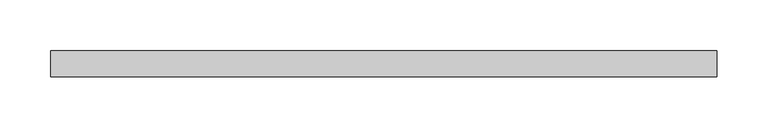
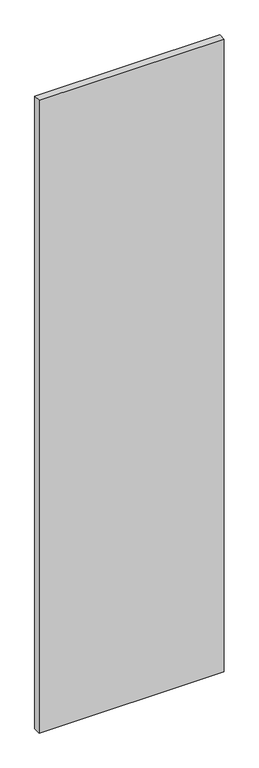
"""IFC4 building model written with IfcOpenShell, lengths in millimetres: plate geometry."""

from ifc_helpers import new_model, si_unit, origin, origin_with_axes, place, context, project, spatial, polyline, outline, extrude, source, transform, mapped, element, save


def plate_ab42c2ac(model_context):
    return source(origin(), model_context, "Body", "SweptSolid", [
        extrude(outline(polyline([(328.2, 12.7), (328.2, -12.7), (-328.2, -12.7), (-328.2, 12.7), (328.2, 12.7)])), origin_with_axes(), (0.0, 0.0, 1.0), 2370.9),
    ])


if __name__ == "__main__":
    model = new_model("IFC4")
    model_context = context("Model", 3, world=origin())
    ifc_project = project(units=[si_unit("LENGTHUNIT", "METRE", prefix="MILLI")], contexts=[model_context])
    site = spatial("IfcSite", under=ifc_project)
    building = spatial("IfcBuilding", under=site)
    placement = place(None, origin())
    plate_shape = plate_ab42c2ac(model_context)
    element("IfcPlate", 1, at=placement, inside=building, context=model_context, shape_type="MappedRepresentation", body=[
        mapped(plate_shape, transform((0.0, 0.0, 0.0), x_axis=(1.0, 0.0, 0.0), y_axis=(0.0, 1.0, 0.0), z_axis=(0.0, 0.0, 1.0))),
    ])
    save(model, "model.ifc")
